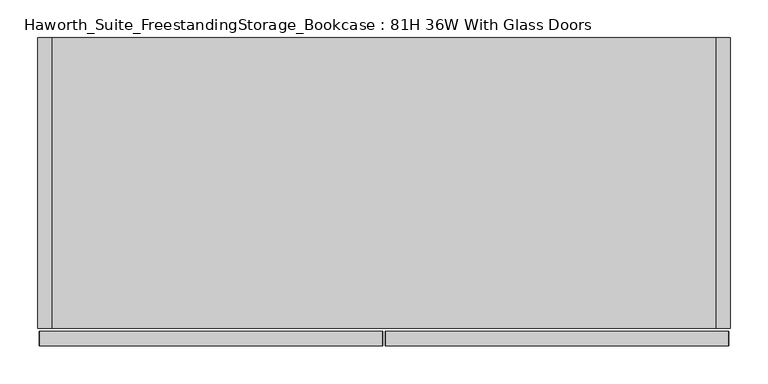
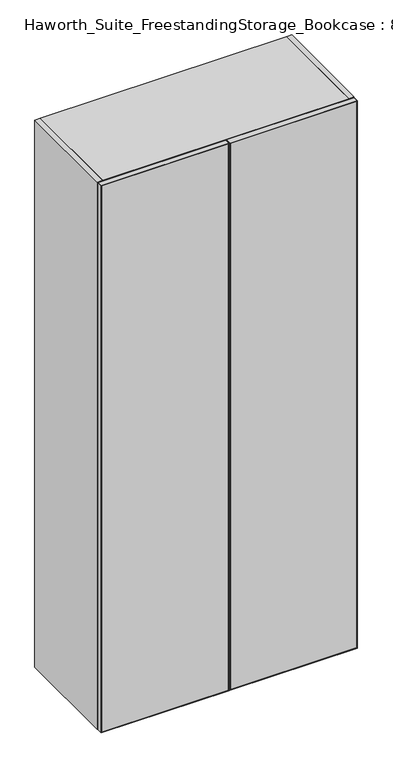
"""IFC4 building model written with IfcOpenShell, lengths in millimetres: furniture geometry, Haworth_Suite_FreestandingStorage_Bookcase : 81H 36W With Glass Doors."""

from ifc_helpers import new_model, si_unit, frame, origin, origin_with_axes, place, context, project, spatial, polyline, outline, extrude, source, transform, mapped, element, save


def haworth_suite_freestandingstorage_bookcase_81h_36w_with_8c0eabab(model_context):
    return source(origin(), model_context, "Body", "SweptSolid", [
        extrude(outline(polyline([(2057.4, -14.2875), (2055.8125, -15.875), (1.5875, -15.875), (0.0, -14.2875), (2057.4, -14.2875)])), frame((0.0, -419.89375, 0.0), z_axis=(0.0, 1.0, 0.0), x_axis=(0.0, 0.0, 1.0)), (0.0, 0.0, 1.0), 19.05),
        extrude(outline(polyline([(2057.4, -468.3125), (0.0, -468.3125), (1.5875, -466.725), (2055.8125, -466.725), (2057.4, -468.3125)])), frame((0.0, -419.89375, 0.0), z_axis=(0.0, 1.0, 0.0), x_axis=(0.0, 0.0, 1.0)), (0.0, 0.0, 1.0), 19.05),
        extrude(outline(polyline([(2055.8125, -15.875), (2057.4, -14.2875), (2057.4, -468.3125), (2055.8125, -466.725), (2055.8125, -15.875)])), frame((0.0, -419.89375, 0.0), z_axis=(0.0, 1.0, 0.0), x_axis=(0.0, 0.0, 1.0)), (0.0, 0.0, 1.0), 19.05),
        extrude(outline(polyline([(1.5875, -15.875), (1.5875, -466.725), (0.0, -468.3125), (0.0, -14.2875), (1.5875, -15.875)])), frame((0.0, -419.89375, 0.0), z_axis=(0.0, 1.0, 0.0), x_axis=(0.0, 0.0, 1.0)), (0.0, 0.0, 1.0), 19.05),
        extrude(outline(polyline([(-466.725, -401.6375), (-15.875, -401.6375), (-15.875, -419.1), (-466.725, -419.1), (-466.725, -401.6375)])), frame((0.0, 0.0, 1.5875), z_axis=(0.0, 0.0, 1.0), x_axis=(1.0, 0.0, 0.0)), (0.0, 0.0, 1.0), 2054.225),
        extrude(outline(polyline([(2057.4, -11.1125), (0.0, -11.1125), (1.5875, -9.525), (2055.8125, -9.525), (2057.4, -11.1125)])), frame((0.0, -419.89375, 0.0), z_axis=(0.0, 1.0, 0.0), x_axis=(0.0, 0.0, 1.0)), (0.0, 0.0, 1.0), 19.05),
        extrude(outline(polyline([(2057.4, 442.9125), (2055.8125, 441.325), (1.5875, 441.325), (0.0, 442.9125), (2057.4, 442.9125)])), frame((0.0, -419.89375, 0.0), z_axis=(0.0, 1.0, 0.0), x_axis=(0.0, 0.0, 1.0)), (0.0, 0.0, 1.0), 19.05),
        extrude(outline(polyline([(2055.8125, -9.525), (2055.8125, 441.325), (2057.4, 442.9125), (2057.4, -11.1125), (2055.8125, -9.525)])), frame((0.0, -419.89375, 0.0), z_axis=(0.0, 1.0, 0.0), x_axis=(0.0, 0.0, 1.0)), (0.0, 0.0, 1.0), 19.05),
        extrude(outline(polyline([(1.5875, -9.525), (0.0, -11.1125), (0.0, 442.9125), (1.5875, 441.325), (1.5875, -9.525)])), frame((0.0, -419.89375, 0.0), z_axis=(0.0, 1.0, 0.0), x_axis=(0.0, 0.0, 1.0)), (0.0, 0.0, 1.0), 19.05),
        extrude(outline(polyline([(441.325, -401.6375), (441.325, -419.1), (-9.525, -419.1), (-9.525, -401.6375), (441.325, -401.6375)])), frame((0.0, 0.0, 1.5875), z_axis=(0.0, 0.0, 1.0), x_axis=(1.0, 0.0, 0.0)), (0.0, 0.0, 1.0), 2054.225),
        extrude(outline(polyline([(425.45, -31.75), (425.45, -377.825), (-450.85, -377.825), (-450.85, -31.75), (425.45, -31.75)])), frame((0.0, 0.0, 1631.95), z_axis=(0.0, 0.0, 1.0), x_axis=(1.0, 0.0, 0.0)), (0.0, 0.0, 1.0), 19.05),
        extrude(outline(polyline([(425.45, -31.75), (425.45, -377.825), (-450.85, -377.825), (-450.85, -31.75), (425.45, -31.75)])), frame((0.0, 0.0, 431.8), z_axis=(0.0, 0.0, 1.0), x_axis=(1.0, 0.0, 0.0)), (0.0, 0.0, 1.0), 19.05),
        extrude(outline(polyline([(425.45, -31.75), (425.45, -377.825), (-450.85, -377.825), (-450.85, -31.75), (425.45, -31.75)])), frame((0.0, 0.0, 831.85), z_axis=(0.0, 0.0, 1.0), x_axis=(1.0, 0.0, 0.0)), (0.0, 0.0, 1.0), 19.05),
        extrude(outline(polyline([(425.45, -31.75), (425.45, -377.825), (-450.85, -377.825), (-450.85, -31.75), (425.45, -31.75)])), frame((0.0, 0.0, 1231.9), z_axis=(0.0, 0.0, 1.0), x_axis=(1.0, 0.0, 0.0)), (0.0, 0.0, 1.0), 19.05),
        extrude(outline(polyline([(425.45, -12.7), (425.45, -396.875), (-450.85, -396.875), (-450.85, -12.7), (425.45, -12.7)])), frame((0.0, 0.0, 2038.35), z_axis=(0.0, 0.0, 1.0), x_axis=(1.0, 0.0, 0.0)), (0.0, 0.0, 1.0), 19.05),
        extrude(outline(polyline([(425.45, -12.7), (425.45, -31.75), (-450.85, -31.75), (-450.85, -12.7), (425.45, -12.7)])), origin_with_axes(), (0.0, 0.0, 1.0), 2038.35),
        extrude(outline(polyline([(425.45, -31.75), (425.45, -396.875), (-450.85, -396.875), (-450.85, -31.75), (425.45, -31.75)])), origin_with_axes(), (0.0, 0.0, 1.0), 38.1),
        extrude(outline(polyline([(-450.85, -12.7), (-450.85, -396.875), (-469.9, -396.875), (-469.9, -12.7), (-450.85, -12.7)])), origin_with_axes(), (0.0, 0.0, 1.0), 2057.4),
        extrude(outline(polyline([(444.5, -396.875), (425.45, -396.875), (425.45, -12.7), (444.5, -12.7), (444.5, -396.875)])), origin_with_axes(), (0.0, 0.0, 1.0), 2057.4),
    ])


if __name__ == "__main__":
    model = new_model("IFC4")
    model_context = context("Model", 3, world=origin())
    ifc_project = project(units=[si_unit("LENGTHUNIT", "METRE", prefix="MILLI")], contexts=[model_context])
    site = spatial("IfcSite", under=ifc_project)
    building = spatial("IfcBuilding", under=site)
    placement = place(None, origin())
    haworth_suite_freestandingstorage_bookcase_81h_36w_with_shape = haworth_suite_freestandingstorage_bookcase_81h_36w_with_8c0eabab(model_context)
    element("IfcFurniture", 1, ObjectType="Haworth_Suite_FreestandingStorage_Bookcase : 81H 36W With Glass Doors", at=placement, inside=building, context=model_context, shape_type="MappedRepresentation", body=[
        mapped(haworth_suite_freestandingstorage_bookcase_81h_36w_with_shape, transform((0.0, 0.0, 0.0), x_axis=(1.0, 0.0, 0.0), y_axis=(0.0, 1.0, 0.0), z_axis=(0.0, 0.0, 1.0))),
    ])
    save(model, "model.ifc")
